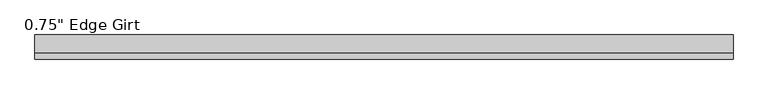
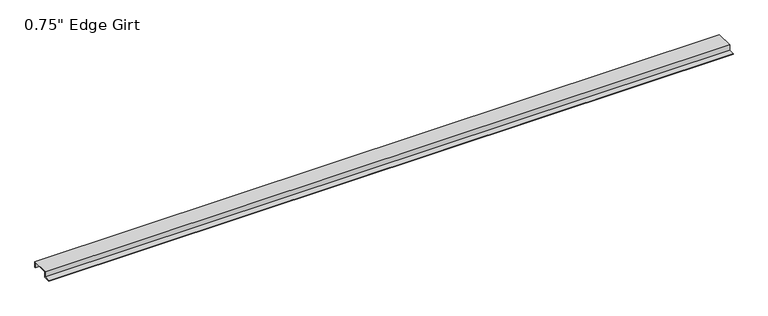
"""IFC4 building model written with IfcOpenShell, lengths in millimetres: proxy geometry."""

from ifc_helpers import new_model, si_unit, frame, origin, place, context, project, spatial, polyline, outline, extrude, source, transform, mapped, element, save


def proxy_7c5e4a69(model_context):
    return source(origin(), model_context, "Body", "SweptSolid", [
        extrude(outline(polyline([(-46.0559645, -17.4375), (-46.0559645, -15.8242), (-27.0129, -15.8242), (-27.0129, 1.6129), (27.0129, 1.6129), (27.0129, -17.4375), (25.4, -17.4375), (25.4, 0.0), (-25.4, 0.0), (-25.4, -17.4375), (-46.0559645, -17.4375)])), frame((0.0, 0.0, 0.0), z_axis=(1.0, 0.0, 0.0), x_axis=(0.0, 1.0, 0.0)), (0.0, 0.0, 1.0), 2111.0351355),
    ])


if __name__ == "__main__":
    model = new_model("IFC4")
    model_context = context("Model", 3, world=origin())
    ifc_project = project(units=[si_unit("LENGTHUNIT", "METRE", prefix="MILLI")], contexts=[model_context])
    site = spatial("IfcSite", under=ifc_project)
    building = spatial("IfcBuilding", under=site)
    placement = place(None, origin())
    proxy_shape = proxy_7c5e4a69(model_context)
    element("IfcBuildingElementProxy", 1, Name="0.75\" Edge Girt", ObjectType="0.75\" Edge Girt", at=placement, inside=building, context=model_context, shape_type="MappedRepresentation", body=[
        mapped(proxy_shape, transform((0.0, 0.0, 0.0), x_axis=(1.0, 0.0, 0.0), y_axis=(0.0, 1.0, 0.0), z_axis=(0.0, 0.0, 1.0))),
    ])
    save(model, "model.ifc")
